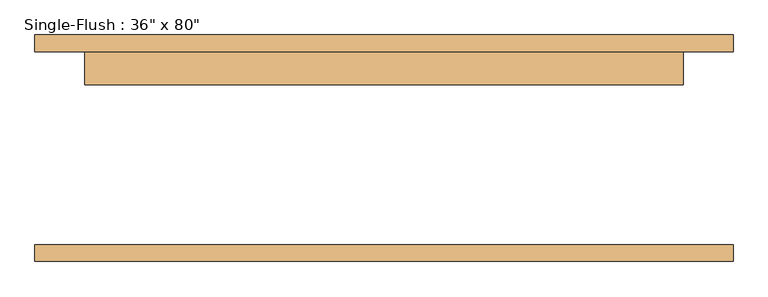
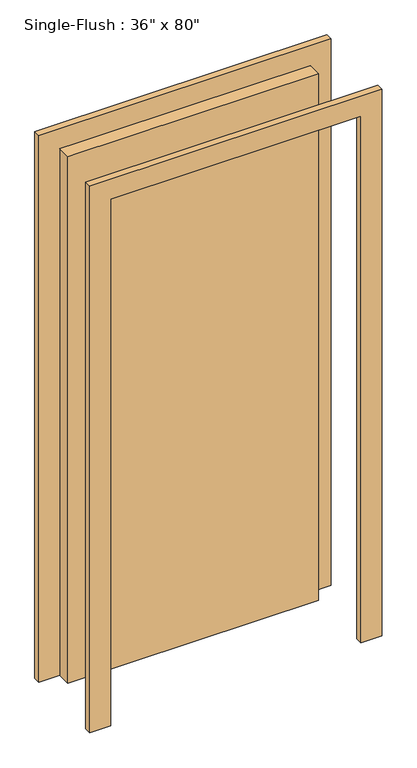
"""IFC4 building model written with IfcOpenShell, lengths in millimetres: door geometry."""

from ifc_helpers import new_model, si_unit, frame, origin, origin_with_axes, place, context, project, spatial, polyline, outline, extrude, source, transform, mapped, element, save


def door_fc109960(model_context):
    return source(origin(), model_context, "Body", "SweptSolid", [
        extrude(outline(polyline([(2108.2, -533.4), (0.0, -533.4), (0.0, -457.2), (2032.0, -457.2), (2032.0, 457.2), (0.0, 457.2), (0.0, 533.4), (2108.2, 533.4), (2108.2, -533.4)])), frame((0.0, 147.6375, 0.0), z_axis=(0.0, 1.0, 0.0), x_axis=(0.0, 0.0, 1.0)), (0.0, 0.0, 1.0), 25.4),
        extrude(outline(polyline([(2108.2, 533.4), (2108.2, -533.4), (0.0, -533.4), (0.0, -457.2), (2032.0, -457.2), (2032.0, 457.2), (0.0, 457.2), (0.0, 533.4), (2108.2, 533.4)])), frame((0.0, -173.0375, 0.0), z_axis=(0.0, 1.0, 0.0), x_axis=(0.0, 0.0, 1.0)), (0.0, 0.0, 1.0), 25.4),
        extrude(outline(polyline([(457.2, 96.8375), (-457.2, 96.8375), (-457.2, 147.6375), (457.2, 147.6375), (457.2, 96.8375)])), origin_with_axes(), (0.0, 0.0, 1.0), 2032.0),
    ])


if __name__ == "__main__":
    model = new_model("IFC4")
    model_context = context("Model", 3, world=origin())
    ifc_project = project(units=[si_unit("LENGTHUNIT", "METRE", prefix="MILLI")], contexts=[model_context])
    site = spatial("IfcSite", under=ifc_project)
    building = spatial("IfcBuilding", under=site)
    placement = place(None, origin())
    door_shape = door_fc109960(model_context)
    element("IfcDoor", 1, ObjectType="Single-Flush : 36\" x 80\"", at=placement, inside=building, context=model_context, shape_type="MappedRepresentation", body=[
        mapped(door_shape, transform((0.0, 0.0, 0.0), x_axis=(1.0, 0.0, 0.0), y_axis=(0.0, 1.0, 0.0), z_axis=(0.0, 0.0, 1.0))),
    ])
    save(model, "model.ifc")
